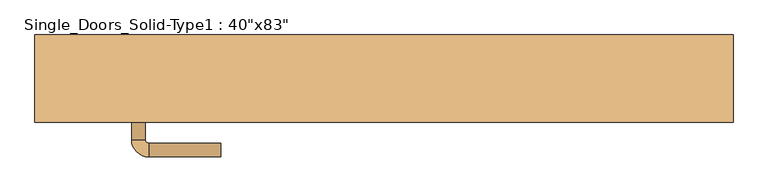
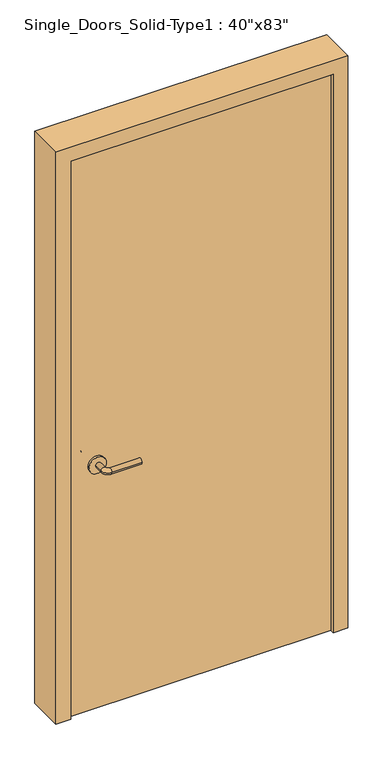
"""IFC4 building model written with IfcOpenShell, lengths in millimetres: door geometry."""

from ifc_helpers import new_model, si_unit, point, frame, frame_2d, origin, origin_with_axes, place, context, project, spatial, polyline, circle_curve, ellipse_curve, trimmed, segment, composite_curve, outline, extrude, faceted_brep, source, transform, mapped, element, save
from ifc_brep_helpers import plane_surface, cylinder_surface, revolved_surface, advanced_brep


def door_142f45ba(model_context):
    return source(origin(), model_context, "Body", "SolidModel", [
        advanced_brep(
        [(-367.2, -4.7, 900.0), (-347.2, -4.7, 900.0), (-367.2, 25.3, 900.0), (-347.2, 25.3, 900.0), (-342.2, 30.3, 900.0), (-342.2, 50.3, 900.0), (-237.2, 50.3, 900.0), (-237.2, 30.3, 900.0)],
        [
            (0, 1, circle_curve(frame((-357.2, -4.7, 900.0), z_axis=(0.0, -1.0, 0.0), x_axis=(1.0, 0.0, 0.0)), 10.0)),
            (1, 0, circle_curve(frame((-357.2, -4.7, 900.0), z_axis=(0.0, -1.0, 0.0), x_axis=(1.0, 0.0, 0.0)), 10.0)),
            (0, 2),
            (2, 3, circle_curve(frame((-357.2, 25.3, 900.0), z_axis=(0.0, -1.0, 0.0), x_axis=(1.0, 0.0, 0.0)), 10.0)),
            (3, 1),
            (3, 2, circle_curve(frame((-357.2, 25.3, 900.0), z_axis=(0.0, -1.0, 0.0), x_axis=(1.0, 0.0, 0.0)), 10.0)),
            (4, 3, circle_curve(frame((-342.2, 25.3, 900.0), z_axis=(0.0, 0.0, 1.0), x_axis=(-1.0, 0.0, 0.0)), 5.0)),
            (2, 5, circle_curve(frame((-342.2, 25.3, 900.0), z_axis=(0.0, 0.0, -1.0), x_axis=(-1.0, 0.0, 0.0)), 25.0)),
            (5, 4, circle_curve(frame((-342.2, 40.3, 900.0), z_axis=(-1.0, 0.0, 0.0), x_axis=(0.0, -1.0, 0.0)), 10.0)),
            (4, 5, circle_curve(frame((-342.2, 40.3, 900.0), z_axis=(-1.0, 0.0, 0.0), x_axis=(0.0, -1.0, 0.0)), 10.0)),
            (6, 7, circle_curve(frame((-237.2, 40.3, 900.0), z_axis=(1.0, 0.0, 0.0), x_axis=(0.0, -1.0, 0.0)), 10.0)),
            (7, 6, circle_curve(frame((-237.2, 40.3, 900.0), z_axis=(1.0, 0.0, 0.0), x_axis=(0.0, -1.0, 0.0)), 10.0)),
            (5, 6),
            (7, 4),
        ],
        [
            plane_surface(frame((-357.2, -4.7, 900.0), z_axis=(0.0, -1.0, 0.0), x_axis=(0.0, 0.0, 1.0))),
            cylinder_surface(frame((-357.2, -4.7, 900.0), z_axis=(0.0, -1.0, 0.0), x_axis=(1.0, 0.0, 0.0)), 10.0),
            revolved_surface(trimmed(ellipse_curve(frame((-357.2, 25.3, 900.0), z_axis=(0.0, -1.0, 0.0), x_axis=(1.0, 0.0, 0.0)), 10.0, 10.0), [point((-367.2, 25.3, 900.0))], [point((-347.2, 25.3, 900.0))], True, "CARTESIAN"), (-342.2, 25.3, 900.0), (0.0, 0.0, -1.0)),
            revolved_surface(trimmed(ellipse_curve(frame((-357.2, 25.3, 900.0), z_axis=(0.0, -1.0, 0.0), x_axis=(1.0, 0.0, 0.0)), 10.0, 10.0), [point((-347.2, 25.3, 900.0))], [point((-367.2, 25.3, 900.0))], True, "CARTESIAN"), (-342.2, 25.3, 900.0), (0.0, 0.0, -1.0)),
            plane_surface(frame((-237.2, 40.3, 900.0), z_axis=(1.0, 0.0, 0.0), x_axis=(0.0, 0.0, 1.0))),
            cylinder_surface(frame((-342.2, 40.3, 900.0), z_axis=(-1.0, 0.0, 0.0), x_axis=(0.0, -1.0, 0.0)), 10.0),
        ],
        [
            (0, [[1, 2]]),
            (1, [[-1, 3, 4, 5]]),
            (1, [[-2, -5, 6, -3]]),
            (2, [[7, -4, 8, 9]]),
            (3, [[-8, -6, -7, 10]]),
            (4, [[11, 12]]),
            (5, [[-9, 13, -12, 14]]),
            (5, [[-10, -14, -11, -13]]),
        ],
    ),
        extrude(outline(composite_curve([segment(trimmed(circle_curve(frame_2d((900.0, -359.7)), 30.0), [point((900.0, -389.7))], [point((900.0, -329.7))], False, "CARTESIAN"), True, "CONTINUOUS"), segment(trimmed(circle_curve(frame_2d((900.0, -359.7)), 30.0), [point((900.0, -329.7))], [point((900.0, -389.7))], False, "CARTESIAN"), True, "CONTINUOUS")], self_intersect=False)), frame((0.0, -12.7, 0.0), z_axis=(0.0, 1.0, 0.0), x_axis=(0.0, 0.0, 1.0)), (0.0, 0.0, 1.0), 8.0),
        advanced_brep(
        [(-367.2, -58.8, 900.0), (-347.2, -58.8, 900.0), (-347.2, -88.8, 900.0), (-367.2, -88.8, 900.0), (-342.2, -93.8, 900.0), (-342.2, -113.8, 900.0), (-237.2, -113.8, 900.0), (-237.2, -93.8, 900.0)],
        [
            (0, 1, circle_curve(frame((-357.2, -58.8, 900.0), z_axis=(0.0, 1.0, 0.0), x_axis=(1.0, 0.0, 0.0)), 10.0)),
            (1, 0, circle_curve(frame((-357.2, -58.8, 900.0), z_axis=(0.0, 1.0, 0.0), x_axis=(1.0, 0.0, 0.0)), 10.0)),
            (1, 2),
            (2, 3, circle_curve(frame((-357.2, -88.8, 900.0), z_axis=(0.0, 1.0, 0.0), x_axis=(1.0, 0.0, 0.0)), 10.0)),
            (3, 0),
            (3, 2, circle_curve(frame((-357.2, -88.8, 900.0), z_axis=(0.0, 1.0, 0.0), x_axis=(1.0, 0.0, 0.0)), 10.0)),
            (4, 5, circle_curve(frame((-342.2, -103.8, 900.0), z_axis=(-1.0, 0.0, 0.0), x_axis=(0.0, 1.0, 0.0)), 10.0)),
            (5, 3, circle_curve(frame((-342.2, -88.8, 900.0), z_axis=(0.0, 0.0, -1.0), x_axis=(-1.0, 0.0, 0.0)), 25.0)),
            (2, 4, circle_curve(frame((-342.2, -88.8, 900.0), z_axis=(0.0, 0.0, 1.0), x_axis=(-1.0, 0.0, 0.0)), 5.0)),
            (5, 4, circle_curve(frame((-342.2, -103.8, 900.0), z_axis=(-1.0, 0.0, 0.0), x_axis=(0.0, 1.0, 0.0)), 10.0)),
            (6, 7, circle_curve(frame((-237.2, -103.8, 900.0), z_axis=(1.0, 0.0, 0.0), x_axis=(0.0, 1.0, 0.0)), 10.0)),
            (7, 6, circle_curve(frame((-237.2, -103.8, 900.0), z_axis=(1.0, 0.0, 0.0), x_axis=(0.0, 1.0, 0.0)), 10.0)),
            (4, 7),
            (6, 5),
        ],
        [
            plane_surface(frame((-357.2, -58.8, 900.0), z_axis=(0.0, 1.0, 0.0), x_axis=(0.0, 0.0, 1.0))),
            cylinder_surface(frame((-357.2, -58.8, 900.0), z_axis=(0.0, 1.0, 0.0), x_axis=(1.0, 0.0, 0.0)), 10.0),
            revolved_surface(trimmed(ellipse_curve(frame((-357.2, -88.8, 900.0), z_axis=(0.0, -1.0, 0.0), x_axis=(1.0, 0.0, 0.0)), 10.0, 10.0), [point((-367.2, -88.8, 900.0))], [point((-347.2, -88.8, 900.0))], True, "CARTESIAN"), (-342.2, -88.8, 900.0), (0.0, 0.0, -1.0)),
            revolved_surface(trimmed(ellipse_curve(frame((-357.2, -88.8, 900.0), z_axis=(0.0, -1.0, 0.0), x_axis=(1.0, 0.0, 0.0)), 10.0, 10.0), [point((-347.2, -88.8, 900.0))], [point((-367.2, -88.8, 900.0))], True, "CARTESIAN"), (-342.2, -88.8, 900.0), (0.0, 0.0, -1.0)),
            plane_surface(frame((-237.2, -103.8, 900.0), z_axis=(1.0, 0.0, 0.0), x_axis=(0.0, 0.0, 1.0))),
            cylinder_surface(frame((-342.2, -103.8, 900.0), z_axis=(-1.0, 0.0, 0.0), x_axis=(0.0, 1.0, 0.0)), 10.0),
        ],
        [
            (0, [[1, 2]]),
            (1, [[3, 4, 5, -2]]),
            (1, [[-5, 6, -3, -1]]),
            (2, [[7, 8, -4, 9]]),
            (3, [[10, -9, -6, -8]]),
            (4, [[11, 12]]),
            (5, [[13, -11, 14, -7]]),
            (5, [[-14, -12, -13, -10]]),
        ],
    ),
        extrude(outline(composite_curve([segment(trimmed(circle_curve(frame_2d((900.0, -359.7)), 30.0), [point((900.0, -389.7))], [point((900.0, -329.7))], False, "CARTESIAN"), True, "CONTINUOUS"), segment(trimmed(circle_curve(frame_2d((900.0, -359.7)), 30.0), [point((900.0, -329.7))], [point((900.0, -389.7))], False, "CARTESIAN"), True, "CONTINUOUS")], self_intersect=False)), frame((0.0, -58.8, 0.0), z_axis=(0.0, 1.0, 0.0), x_axis=(0.0, 0.0, 1.0)), (0.0, 0.0, 1.0), 8.0),
        faceted_brep([(-508.0, 63.5, 0.0), (-457.2, 63.5, 0.0), (-457.2, 38.1, 0.0), (-444.5, 38.1, 0.0), (-444.5, -12.7, 0.0), (-457.2, -12.7, 0.0), (-457.2, -63.5, 0.0), (-508.0, -63.5, 0.0), (-508.0, -63.5, 2108.2), (-508.0, 63.5, 2108.2), (-457.2, -63.5, 2057.4), (457.2, -63.5, 2057.4), (457.2, -63.5, 0.0), (508.0, -63.5, 0.0), (508.0, -63.5, 2108.2), (-457.2, -12.7, 2057.4), (-444.5, -12.7, 2044.7), (444.5, -12.7, 2044.7), (444.5, -12.7, 0.0), (457.2, -12.7, 0.0), (457.2, -12.7, 2057.4), (-444.5, 38.1, 2044.7), (-457.2, 38.1, 2057.4), (457.2, 38.1, 2057.4), (457.2, 38.1, 0.0), (444.5, 38.1, 0.0), (444.5, 38.1, 2044.7), (-457.2, 63.5, 2057.4), (508.0, 63.5, 2108.2), (508.0, 63.5, 0.0), (457.2, 63.5, 0.0), (457.2, 63.5, 2057.4)], [[[0, 1, 2, 3, 4, 5, 6, 7]], [[7, 8, 9, 0]], [[6, 10, 11, 12, 13, 14, 8, 7]], [[5, 15, 10, 6]], [[4, 16, 17, 18, 19, 20, 15, 5]], [[3, 21, 16, 4]], [[2, 22, 23, 24, 25, 26, 21, 3]], [[1, 27, 22, 2]], [[0, 9, 28, 29, 30, 31, 27, 1]], [[14, 13, 29, 28]], [[29, 13, 12, 19, 18, 25, 24, 30]], [[20, 19, 12, 11]], [[26, 25, 18, 17]], [[31, 30, 24, 23]], [[8, 14, 28, 9]], [[15, 20, 11, 10]], [[21, 26, 17, 16]], [[27, 31, 23, 22]]]),
        extrude(outline(polyline([(457.2, -12.7), (457.2, -50.8), (-457.2, -50.8), (-457.2, -12.7), (457.2, -12.7)])), origin_with_axes(), (0.0, 0.0, 1.0), 2057.4),
    ])


if __name__ == "__main__":
    model = new_model("IFC4")
    model_context = context("Model", 3, world=origin())
    ifc_project = project(units=[si_unit("LENGTHUNIT", "METRE", prefix="MILLI")], contexts=[model_context])
    site = spatial("IfcSite", under=ifc_project)
    building = spatial("IfcBuilding", under=site)
    placement = place(None, origin())
    door_shape = door_142f45ba(model_context)
    element("IfcDoor", 1, ObjectType="Single_Doors_Solid-Type1 : 40\"x83\"", at=placement, inside=building, context=model_context, shape_type="MappedRepresentation", body=[
        mapped(door_shape, transform((0.0, 0.0, 0.0), x_axis=(1.0, 0.0, 0.0), y_axis=(0.0, 1.0, 0.0), z_axis=(0.0, 0.0, 1.0))),
    ])
    save(model, "model.ifc")
